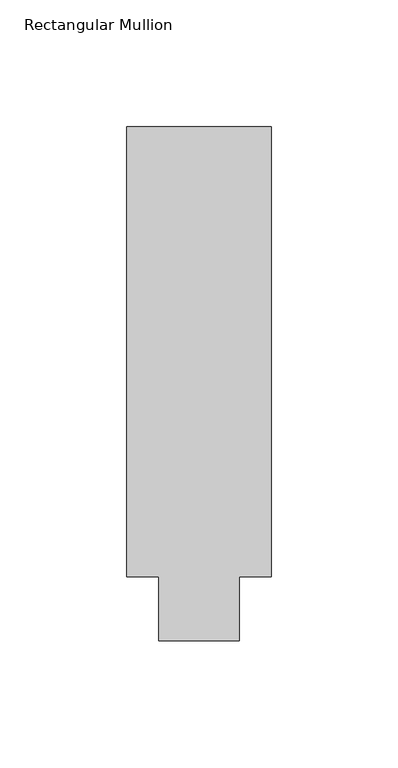
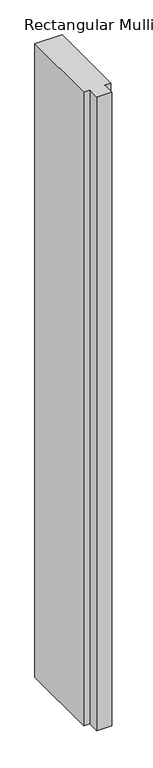
"""IFC4 building model written with IfcOpenShell, lengths in millimetres: member geometry, Rectangular Mullion."""

from ifc_helpers import new_model, si_unit, frame, origin, place, context, project, spatial, polyline, outline, extrude, source, transform, mapped, element, save


def rectangular_mullion_3126c345(model_context):
    return source(origin(), model_context, "Body", "SweptSolid", [
        extrude(outline(polyline([(32.9094027, 190.5), (32.9094027, 12.7), (20.2076322, 12.7), (20.2076322, -12.7), (-11.5405973, -12.7), (-11.5405973, 12.7), (-24.2405973, 12.7), (-24.2405973, 190.5), (32.9094027, 190.5)])), frame((0.0, 0.0, -1407.482264), z_axis=(0.0, 0.0, 1.0), x_axis=(1.0, 0.0, 0.0)), (0.0, 0.0, 1.0), 1407.482264),
    ])


if __name__ == "__main__":
    model = new_model("IFC4")
    model_context = context("Model", 3, world=origin())
    ifc_project = project(units=[si_unit("LENGTHUNIT", "METRE", prefix="MILLI")], contexts=[model_context])
    site = spatial("IfcSite", under=ifc_project)
    building = spatial("IfcBuilding", under=site)
    placement = place(None, origin())
    rectangular_mullion_shape = rectangular_mullion_3126c345(model_context)
    element("IfcMember", 1, ObjectType="Rectangular Mullion", at=placement, inside=building, context=model_context, shape_type="MappedRepresentation", body=[
        mapped(rectangular_mullion_shape, transform((0.0, 0.0, 0.0), x_axis=(1.0, 0.0, 0.0), y_axis=(0.0, 1.0, 0.0), z_axis=(0.0, 0.0, 1.0))),
    ])
    save(model, "model.ifc")
